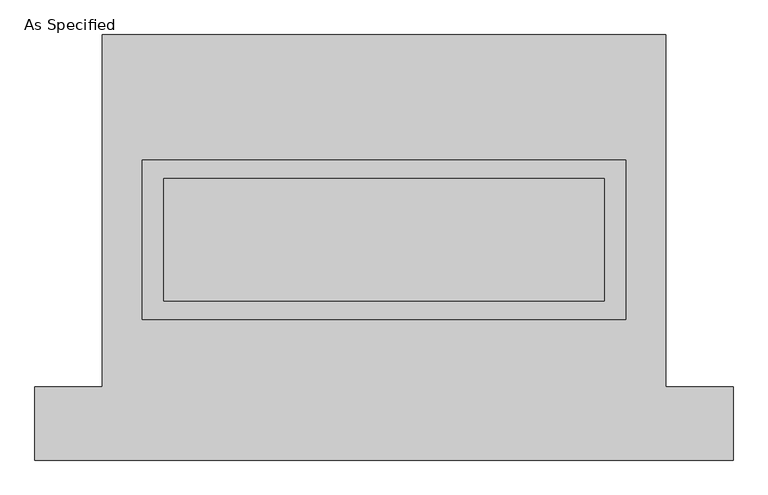
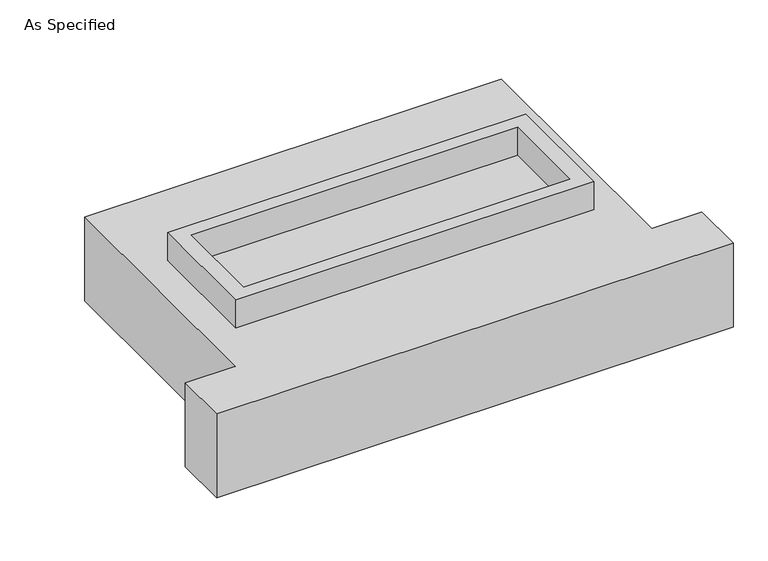
"""IFC4 building model written with IfcOpenShell, lengths in millimetres: proxy geometry, As Specified."""

from ifc_helpers import new_model, si_unit, frame, origin, place, context, project, spatial, polyline, outline, extrude, source, transform, mapped, element, save


def as_specified_d6804311(model_context):
    return source(origin(), model_context, "Body", "SweptSolid", [
        extrude(outline(polyline([(1003.3, 361.95), (1003.3, -298.45), (-1003.3, -298.45), (-1003.3, 361.95), (1003.3, 361.95)]), holes=[polyline([(914.4, 285.75), (-914.4, 285.75), (-914.4, -222.25), (914.4, -222.25), (914.4, 285.75)])]), frame((0.0, 0.0, -688.975), z_axis=(0.0, 0.0, 1.0), x_axis=(1.0, 0.0, 0.0)), (0.0, 0.0, 1.0), 165.1),
        extrude(outline(polyline([(1003.3, 361.95), (1003.3, -298.45), (-1003.3, -298.45), (-1003.3, 361.95), (1003.3, 361.95)]), holes=[polyline([(914.4, 285.75), (-914.4, 285.75), (-914.4, -222.25), (914.4, -222.25), (914.4, 285.75)])]), frame((0.0, 0.0, -25.4), z_axis=(0.0, 0.0, 1.0), x_axis=(1.0, 0.0, 0.0)), (0.0, 0.0, 1.0), 165.1),
        extrude(outline(polyline([(914.4, 285.75), (914.4, -222.25), (-914.4, -222.25), (-914.4, 285.75), (914.4, 285.75)])), frame((0.0, 0.0, -523.875), z_axis=(0.0, 0.0, 1.0), x_axis=(1.0, 0.0, 0.0)), (0.0, 0.0, 1.0), 4.9609375),
        extrude(outline(polyline([(914.4, 285.75), (914.4, -222.25), (-914.4, -222.25), (-914.4, 285.75), (914.4, 285.75)])), frame((0.0, 0.0, -30.3609375), z_axis=(0.0, 0.0, 1.0), x_axis=(1.0, 0.0, 0.0)), (0.0, 0.0, 1.0), 4.9609375),
        extrude(outline(polyline([(-1168.4, 882.65), (1168.4, 882.65), (1168.4, -577.85), (1447.8, -577.85), (1447.8, -882.65), (-1447.8, -882.65), (-1447.8, -577.85), (-1168.4, -577.85), (-1168.4, 882.65)]), holes=[polyline([(-1003.3, 361.95), (-1003.3, -298.45), (1003.3, -298.45), (1003.3, 361.95), (-1003.3, 361.95)])]), frame((0.0, 0.0, -523.875), z_axis=(0.0, 0.0, 1.0), x_axis=(1.0, 0.0, 0.0)), (0.0, 0.0, 1.0), 498.475),
    ])


if __name__ == "__main__":
    model = new_model("IFC4")
    model_context = context("Model", 3, world=origin())
    ifc_project = project(units=[si_unit("LENGTHUNIT", "METRE", prefix="MILLI")], contexts=[model_context])
    site = spatial("IfcSite", under=ifc_project)
    building = spatial("IfcBuilding", under=site)
    placement = place(None, origin())
    as_specified_shape = as_specified_d6804311(model_context)
    element("IfcBuildingElementProxy", 1, Name="As Specified", ObjectType="As Specified", at=placement, inside=building, context=model_context, shape_type="MappedRepresentation", body=[
        mapped(as_specified_shape, transform((0.0, 0.0, 0.0), x_axis=(1.0, 0.0, 0.0), y_axis=(0.0, 1.0, 0.0), z_axis=(0.0, 0.0, 1.0))),
    ])
    save(model, "model.ifc")
